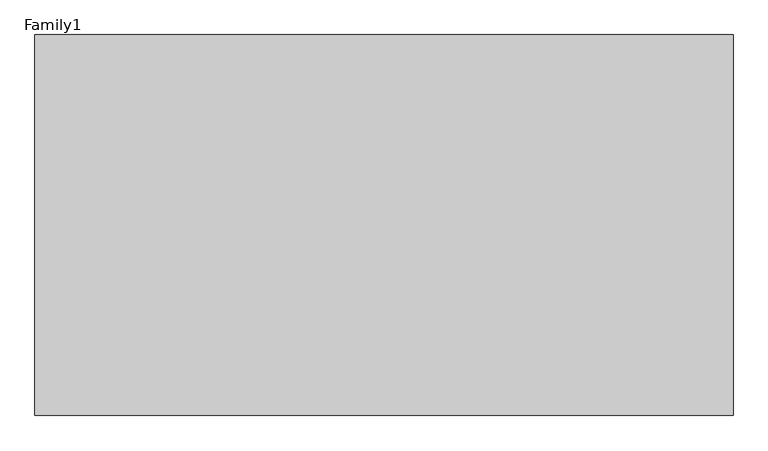
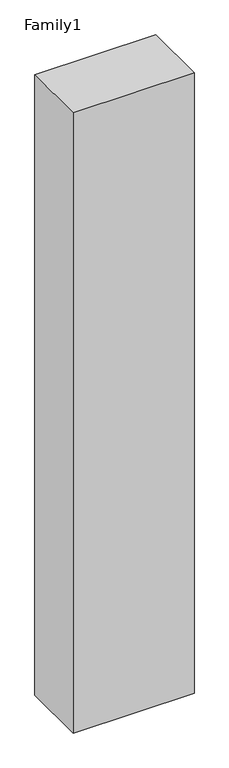
"""IFC4 building model written with IfcOpenShell, lengths in millimetres: proxy geometry, Family1."""

from ifc_helpers import new_model, si_unit, origin, origin_with_axes, place, context, project, spatial, polyline, outline, extrude, source, transform, mapped, element, save


def family1_c6da188d(model_context):
    return source(origin(), model_context, "Body", "SweptSolid", [
        extrude(outline(polyline([(5500.0, 0.0), (0.0, 0.0), (0.0, 3000.0), (5500.0, 3000.0), (5500.0, 0.0)])), origin_with_axes(), (0.0, 0.0, 1.0), 29800.0),
    ])


if __name__ == "__main__":
    model = new_model("IFC4")
    model_context = context("Model", 3, world=origin())
    ifc_project = project(units=[si_unit("LENGTHUNIT", "METRE", prefix="MILLI")], contexts=[model_context])
    site = spatial("IfcSite", under=ifc_project)
    building = spatial("IfcBuilding", under=site)
    placement = place(None, origin())
    family1_shape = family1_c6da188d(model_context)
    element("IfcBuildingElementProxy", 1, Name="Family1", ObjectType="Family1", at=placement, inside=building, context=model_context, shape_type="MappedRepresentation", body=[
        mapped(family1_shape, transform((0.0, 0.0, 0.0), x_axis=(1.0, 0.0, 0.0), y_axis=(0.0, 1.0, 0.0), z_axis=(0.0, 0.0, 1.0))),
    ])
    save(model, "model.ifc")
